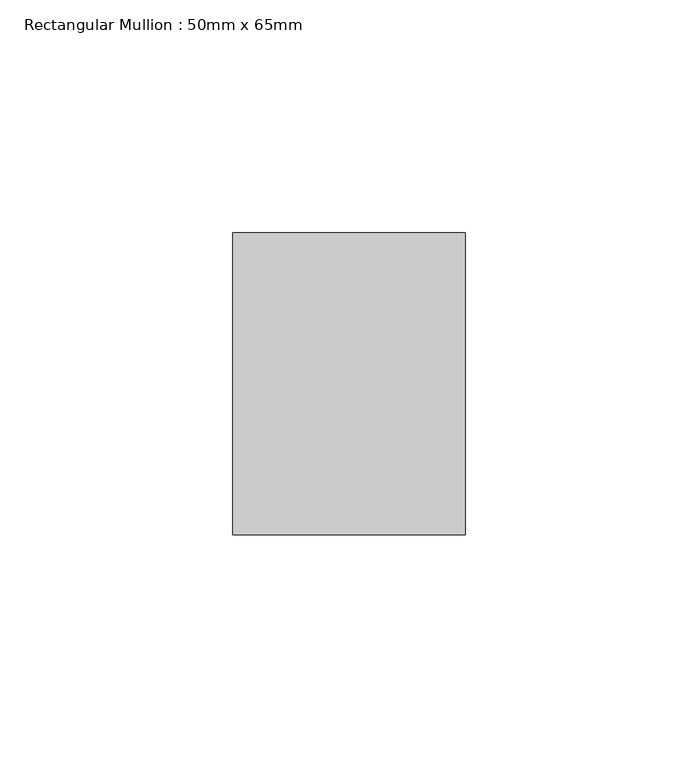
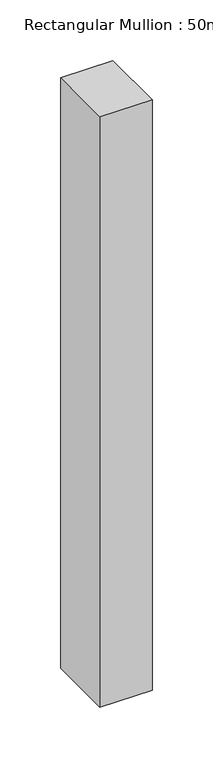
"""IFC4 building model written with IfcOpenShell, lengths in millimetres: member geometry, Rectangular Mullion : 50mm x 65mm."""

from ifc_helpers import new_model, si_unit, frame, origin, place, context, project, spatial, polyline, outline, extrude, source, transform, mapped, element, save


def rectangular_mullion_50mm_x_65mm_e1ceca64(model_context):
    return source(origin(), model_context, "Body", "SweptSolid", [
        extrude(outline(polyline([(25.0, 32.5), (25.0, -32.5), (-25.0, -32.5), (-25.0, 32.5), (25.0, 32.5)])), frame((0.0, 0.0, -595.7758012), z_axis=(0.0, 0.0, 1.0), x_axis=(1.0, 0.0, 0.0)), (0.0, 0.0, 1.0), 595.7758012),
    ])


if __name__ == "__main__":
    model = new_model("IFC4")
    model_context = context("Model", 3, world=origin())
    ifc_project = project(units=[si_unit("LENGTHUNIT", "METRE", prefix="MILLI")], contexts=[model_context])
    site = spatial("IfcSite", under=ifc_project)
    building = spatial("IfcBuilding", under=site)
    placement = place(None, origin())
    rectangular_mullion_50mm_x_65mm_shape = rectangular_mullion_50mm_x_65mm_e1ceca64(model_context)
    element("IfcMember", 1, ObjectType="Rectangular Mullion : 50mm x 65mm", at=placement, inside=building, context=model_context, shape_type="MappedRepresentation", body=[
        mapped(rectangular_mullion_50mm_x_65mm_shape, transform((0.0, 0.0, 0.0), x_axis=(1.0, 0.0, 0.0), y_axis=(0.0, 1.0, 0.0), z_axis=(0.0, 0.0, 1.0))),
    ])
    save(model, "model.ifc")
